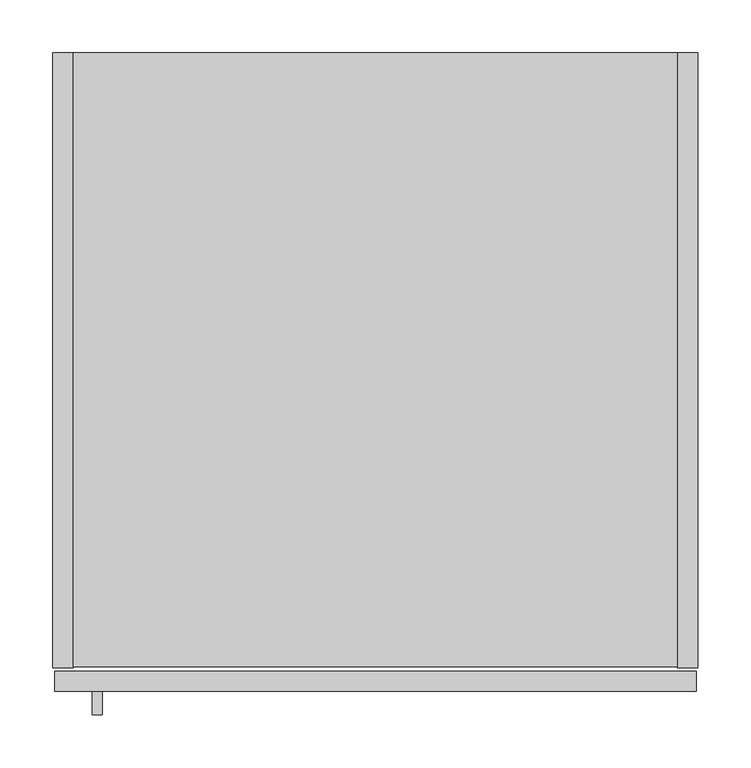
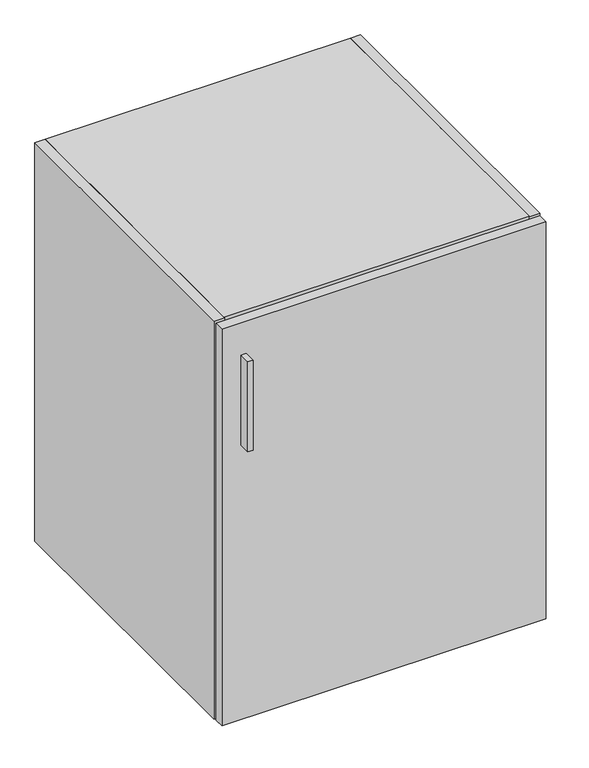
"""IFC4 building model written with IfcOpenShell, lengths in millimetres: furniture geometry."""

from ifc_helpers import new_model, si_unit, frame, origin, place, context, project, spatial, polyline, outline, extrude, source, transform, mapped, element, save


def furniture_a0463e72(model_context):
    return source(origin(), model_context, "Body", "SweptSolid", [
        extrude(outline(polyline([(46.6713631, -625.729), (37.1463631, -625.729), (37.1463631, -603.504), (46.6713631, -603.504), (46.6713631, -625.729)])), frame((0.0, 0.0, 644.525), z_axis=(0.0, 0.0, 1.0), x_axis=(1.0, 0.0, 0.0)), (0.0, 0.0, 1.0), 177.8),
        extrude(outline(polyline([(590.296, 0.0), (590.296, -19.304), (19.304, -19.304), (19.304, 0.0), (590.296, 0.0)])), frame((0.0, 0.0, 120.904), z_axis=(0.0, 0.0, 1.0), x_axis=(1.0, 0.0, 0.0)), (0.0, 0.0, 1.0), 748.792),
        extrude(outline(polyline([(590.296, -580.0344), (19.304, -580.0344), (19.304, 0.0), (590.296, 0.0), (590.296, -580.0344)])), frame((0.0, 0.0, 869.696), z_axis=(0.0, 0.0, 1.0), x_axis=(1.0, 0.0, 0.0)), (0.0, 0.0, 1.0), 19.304),
        extrude(outline(polyline([(19.304, 0.0), (19.304, -581.025), (0.0, -581.025), (0.0, 0.0), (19.304, 0.0)])), frame((0.0, 0.0, 101.6), z_axis=(0.0, 0.0, 1.0), x_axis=(1.0, 0.0, 0.0)), (0.0, 0.0, 1.0), 787.4),
        extrude(outline(polyline([(590.296, 0.0), (609.6, 0.0), (609.6, -581.025), (590.296, -581.025), (590.296, 0.0)])), frame((0.0, 0.0, 101.6), z_axis=(0.0, 0.0, 1.0), x_axis=(1.0, 0.0, 0.0)), (0.0, 0.0, 1.0), 787.4),
        extrude(outline(polyline([(590.296, 0.0), (590.296, -580.0344), (19.304, -580.0344), (19.304, 0.0), (590.296, 0.0)])), frame((0.0, 0.0, 101.6), z_axis=(0.0, 0.0, 1.0), x_axis=(1.0, 0.0, 0.0)), (0.0, 0.0, 1.0), 19.304),
        extrude(outline(polyline([(608.0125, -603.504), (1.5875, -603.504), (1.5875, -584.2), (608.0125, -584.2), (608.0125, -603.504)])), frame((0.0, 0.0, 101.6), z_axis=(0.0, 0.0, 1.0), x_axis=(1.0, 0.0, 0.0)), (0.0, 0.0, 1.0), 784.225),
    ])


if __name__ == "__main__":
    model = new_model("IFC4")
    model_context = context("Model", 3, world=origin())
    ifc_project = project(units=[si_unit("LENGTHUNIT", "METRE", prefix="MILLI")], contexts=[model_context])
    site = spatial("IfcSite", under=ifc_project)
    building = spatial("IfcBuilding", under=site)
    placement = place(None, origin())
    furniture_shape = furniture_a0463e72(model_context)
    element("IfcFurniture", 1, at=placement, inside=building, context=model_context, shape_type="MappedRepresentation", body=[
        mapped(furniture_shape, transform((0.0, 0.0, 0.0), x_axis=(1.0, 0.0, 0.0), y_axis=(0.0, 1.0, 0.0), z_axis=(0.0, 0.0, 1.0))),
    ])
    save(model, "model.ifc")
